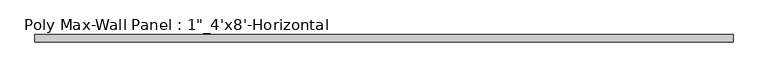
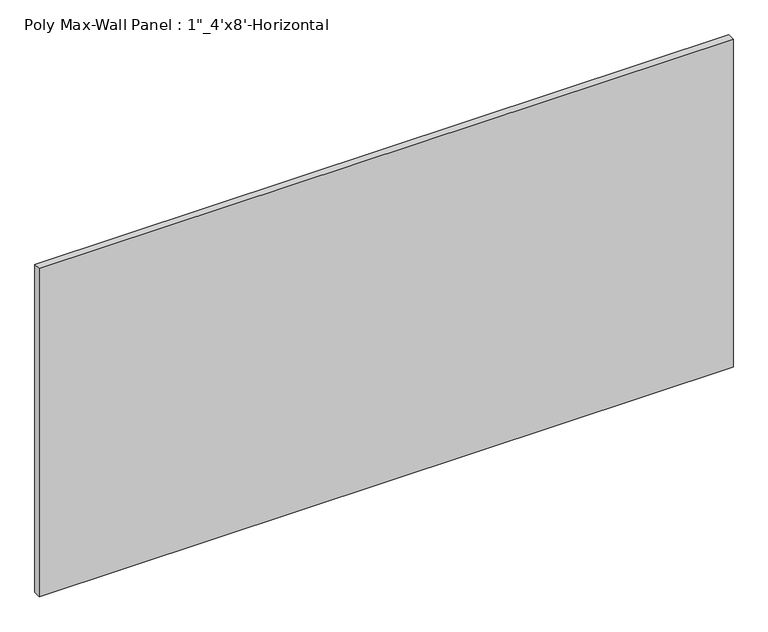
"""IFC4 building model written with IfcOpenShell, lengths in millimetres: proxy geometry."""

from ifc_helpers import new_model, si_unit, frame, origin, place, context, project, spatial, polyline, outline, extrude, source, transform, mapped, element, save


def proxy_5395a9e9(model_context):
    return source(origin(), model_context, "Body", "SweptSolid", [
        extrude(outline(polyline([(1422.4, 101.6), (-1016.0, 101.6), (-1016.0, 127.0), (1422.4, 127.0), (1422.4, 101.6)])), frame((0.0, 0.0, 1219.2), z_axis=(0.0, 0.0, 1.0), x_axis=(1.0, 0.0, 0.0)), (0.0, 0.0, 1.0), 1219.2),
    ])


if __name__ == "__main__":
    model = new_model("IFC4")
    model_context = context("Model", 3, world=origin())
    ifc_project = project(units=[si_unit("LENGTHUNIT", "METRE", prefix="MILLI")], contexts=[model_context])
    site = spatial("IfcSite", under=ifc_project)
    building = spatial("IfcBuilding", under=site)
    placement = place(None, origin())
    proxy_shape = proxy_5395a9e9(model_context)
    element("IfcBuildingElementProxy", 1, Name="Poly Max-Wall Panel : 1\"_4'x8'-Horizontal", ObjectType="Poly Max-Wall Panel : 1\"_4'x8'-Horizontal", at=placement, inside=building, context=model_context, shape_type="MappedRepresentation", body=[
        mapped(proxy_shape, transform((0.0, 0.0, 0.0), x_axis=(1.0, 0.0, 0.0), y_axis=(0.0, 1.0, 0.0), z_axis=(0.0, 0.0, 1.0))),
    ])
    save(model, "model.ifc")
